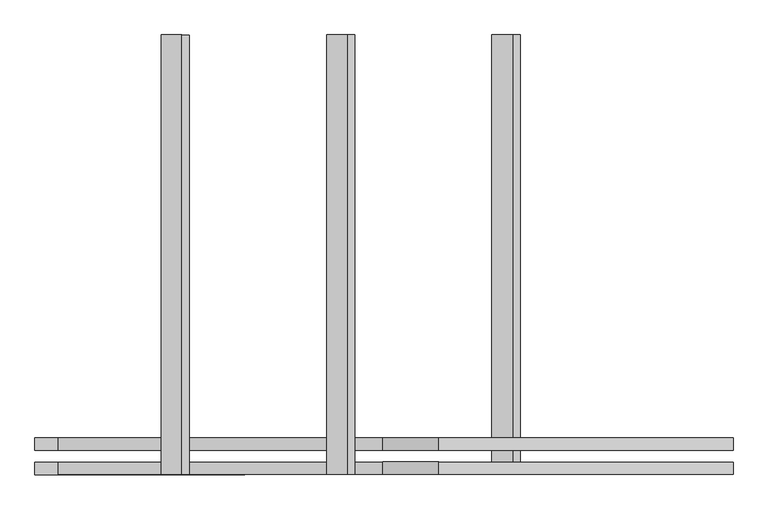
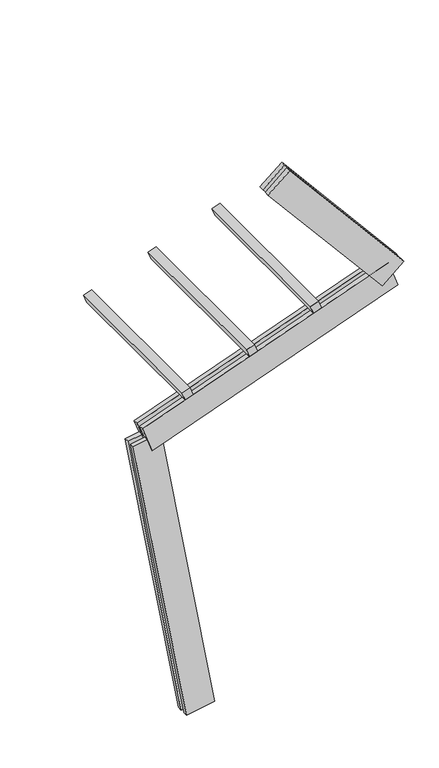
"""IFC4 building model written with IfcOpenShell, lengths in millimetres: proxy geometry."""

from ifc_helpers import new_model, si_unit, frame, origin, place, context, project, spatial, polyline, outline, extrude, source, transform, mapped, element, save


def generic_models_02d1a17d(model_context):
    return source(origin(), model_context, "Body", "SweptSolid", [
        extrude(outline(polyline([(1500.0, 0.0), (0.0, 0.0), (0.0, 75.0), (1500.0, 75.0), (1500.0, 0.0)])), frame((-65.2486027, -62.5, 2938.9020788), z_axis=(-0.3420201433256682, 0.0, 0.9396926207859086), x_axis=(0.0, 1.0, 0.0)), (0.0, 0.0, 1.0), 75.0),
        extrude(outline(polyline([(1500.0, 0.0), (0.0, 0.0), (0.0, 74.9999999), (1500.0, 74.9999999), (1500.0, 0.0)])), frame((498.5669697, -62.5, 3144.1141648), z_axis=(-0.3420201433256682, 0.0, 0.9396926207859086), x_axis=(0.0, 1.0, 0.0)), (0.0, 0.0, 1.0), 75.0),
        extrude(outline(polyline([(1500.0, 0.0), (0.0, 0.0), (0.0, 75.0), (1500.0, 75.0), (1500.0, 0.0)])), frame((1062.3825422, -62.5, 3349.3262508), z_axis=(-0.3420201433256682, 0.0, 0.9396926207859086), x_axis=(0.0, 1.0, 0.0)), (0.0, 0.0, 1.0), 75.0),
        extrude(outline(polyline([(125.0, 0.0), (82.5, 0.0), (82.5, 250.0), (125.0, 250.0), (125.0, 0.0)])), frame((1596.6873927, 62.5, 3365.2788116), z_axis=(-0.6427876096865375, 0.0, 0.7660444431189797), x_axis=(0.0, -1.0, 0.0)), (0.0, 0.0, 1.0), 1560.0),
        extrude(outline(polyline([(0.0, 250.0), (42.5, 250.0), (42.5, 0.0), (0.0, 0.0), (0.0, 250.0)])), frame((1596.6873927, 62.5, 3365.2788116), z_axis=(-0.6427876096865375, 0.0, 0.7660444431189797), x_axis=(0.0, -1.0, 0.0)), (0.0, 0.0, 1.0), 1560.0),
        extrude(outline(polyline([(2300.0, 125.0), (2300.0, 82.5), (0.0, 82.5), (0.0, 125.0), (2300.0, 125.0)])), frame((1735.195466, 62.5, 3328.1656852), z_axis=(-0.3420201433256682, 0.0, 0.9396926207859086), x_axis=(-0.9396926207859086, 0.0, -0.3420201433256682)), (0.0, 0.0, 1.0), 250.0),
        extrude(outline(polyline([(0.0, 0.0), (0.0, 42.5), (2300.0, 42.5), (2300.0, 0.0), (0.0, 0.0)])), frame((1735.195466, 62.5, 3328.1656852), z_axis=(-0.3420201433256682, 0.0, 0.9396926207859086), x_axis=(-0.9396926207859086, 0.0, -0.3420201433256682)), (0.0, 0.0, 1.0), 250.0),
        extrude(outline(polyline([(-125.0, 249.9999999), (-82.5, 249.9999999), (-82.5, 0.0), (-125.0, 0.0), (-125.0, 249.9999999)])), frame((123.1009691, 62.5, 21.7060222), z_axis=(-0.17364817766693158, 0.0, 0.9848077530122079), x_axis=(0.0, 1.0, 0.0)), (0.0, 0.0, 1.0), 2700.0),
        extrude(outline(polyline([(0.0, 0.0), (-42.5, 0.0), (-42.5, 249.9999999), (0.0, 249.9999999), (0.0, 0.0)])), frame((123.1009691, 62.5, 21.7060222), z_axis=(-0.17364817766693158, 0.0, 0.9848077530122079), x_axis=(0.0, 1.0, 0.0)), (0.0, 0.0, 1.0), 2700.0),
    ])


if __name__ == "__main__":
    model = new_model("IFC4")
    model_context = context("Model", 3, world=origin())
    ifc_project = project(units=[si_unit("LENGTHUNIT", "METRE", prefix="MILLI")], contexts=[model_context])
    site = spatial("IfcSite", under=ifc_project)
    building = spatial("IfcBuilding", under=site)
    placement = place(None, origin())
    generic_models_shape = generic_models_02d1a17d(model_context)
    element("IfcBuildingElementProxy", 1, Name="Generic Models", at=placement, inside=building, context=model_context, shape_type="MappedRepresentation", body=[
        mapped(generic_models_shape, transform((0.0, 0.0, 0.0), x_axis=(1.0, 0.0, 0.0), y_axis=(0.0, 1.0, 0.0), z_axis=(0.0, 0.0, 1.0))),
    ])
    save(model, "model.ifc")
